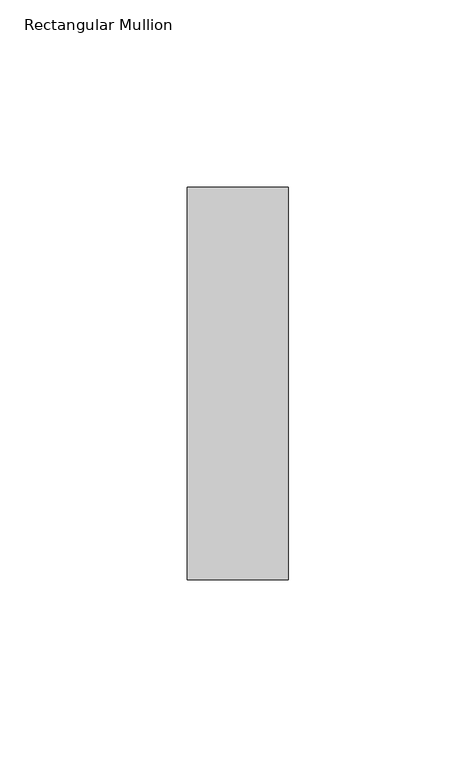
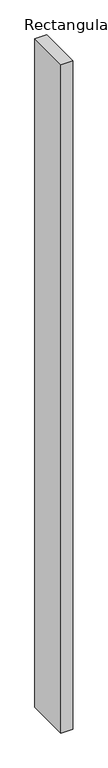
"""IFC4 building model written with IfcOpenShell, lengths in millimetres: member geometry, Rectangular Mullion."""

from ifc_helpers import new_model, si_unit, frame, origin, place, context, project, spatial, polyline, outline, extrude, source, transform, mapped, element, save


def rectangular_mullion_c3f631a3(model_context):
    return source(origin(), model_context, "Body", "SweptSolid", [
        extrude(outline(polyline([(-27.0, 52.3975), (0.0, 52.3975), (0.0, -52.3975), (-27.0, -52.3975), (-27.0, 52.3975)])), frame((0.0, 0.0, -1639.0), z_axis=(0.0, 0.0, 1.0), x_axis=(1.0, 0.0, 0.0)), (0.0, 0.0, 1.0), 1639.0),
    ])


if __name__ == "__main__":
    model = new_model("IFC4")
    model_context = context("Model", 3, world=origin())
    ifc_project = project(units=[si_unit("LENGTHUNIT", "METRE", prefix="MILLI")], contexts=[model_context])
    site = spatial("IfcSite", under=ifc_project)
    building = spatial("IfcBuilding", under=site)
    placement = place(None, origin())
    rectangular_mullion_shape = rectangular_mullion_c3f631a3(model_context)
    element("IfcMember", 1, ObjectType="Rectangular Mullion", at=placement, inside=building, context=model_context, shape_type="MappedRepresentation", body=[
        mapped(rectangular_mullion_shape, transform((0.0, 0.0, 0.0), x_axis=(1.0, 0.0, 0.0), y_axis=(0.0, 1.0, 0.0), z_axis=(0.0, 0.0, 1.0))),
    ])
    save(model, "model.ifc")
